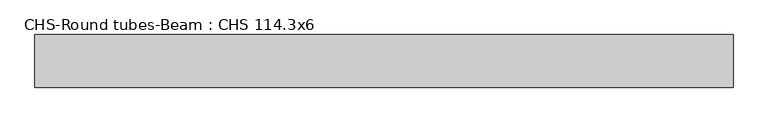
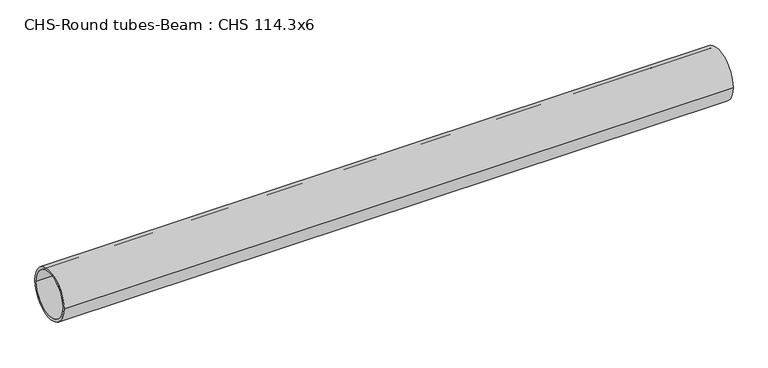
"""IFC4 building model written with IfcOpenShell, lengths in millimetres: beam geometry, CHS-Round tubes-Beam : CHS 114.3x6."""

from ifc_helpers import new_model, si_unit, point, frame, origin, origin_2d, place, context, project, spatial, circle_curve, trimmed, segment, composite_curve, outline, extrude, source, transform, mapped, element, save


def chs_round_tubes_beam_chs_114_3x6_2c757ff9(model_context):
    return source(origin(), model_context, "Body", "SweptSolid", [
        extrude(outline(composite_curve([segment(trimmed(circle_curve(origin_2d(), 57.15), [point((57.15, 0.0))], [point((-57.15, 0.0))], False, "CARTESIAN"), True, "CONTINUOUS"), segment(trimmed(circle_curve(origin_2d(), 57.15), [point((-57.15, 0.0))], [point((57.15, 0.0))], False, "CARTESIAN"), True, "CONTINUOUS")], self_intersect=False), holes=[composite_curve([segment(trimmed(circle_curve(origin_2d(), 51.15), [point((51.15, 0.0))], [point((-51.15, 0.0))], True, "CARTESIAN"), True, "CONTINUOUS"), segment(trimmed(circle_curve(origin_2d(), 51.15), [point((-51.15, 0.0))], [point((51.15, 0.0))], True, "CARTESIAN"), True, "CONTINUOUS")], self_intersect=False)]), frame((-771.3739841, 0.0, 0.0), z_axis=(1.0, 0.0, 0.0), x_axis=(0.0, 1.0, 0.0)), (0.0, 0.0, 1.0), 1515.3597501),
    ])


if __name__ == "__main__":
    model = new_model("IFC4")
    model_context = context("Model", 3, world=origin())
    ifc_project = project(units=[si_unit("LENGTHUNIT", "METRE", prefix="MILLI")], contexts=[model_context])
    site = spatial("IfcSite", under=ifc_project)
    building = spatial("IfcBuilding", under=site)
    placement = place(None, origin())
    chs_round_tubes_beam_chs_114_3x6_shape = chs_round_tubes_beam_chs_114_3x6_2c757ff9(model_context)
    element("IfcBeam", 1, ObjectType="CHS-Round tubes-Beam : CHS 114.3x6", at=placement, inside=building, context=model_context, shape_type="MappedRepresentation", body=[
        mapped(chs_round_tubes_beam_chs_114_3x6_shape, transform((0.0, 0.0, 0.0), x_axis=(1.0, 0.0, 0.0), y_axis=(0.0, 1.0, 0.0), z_axis=(0.0, 0.0, 1.0))),
    ])
    save(model, "model.ifc")
